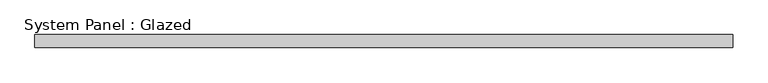
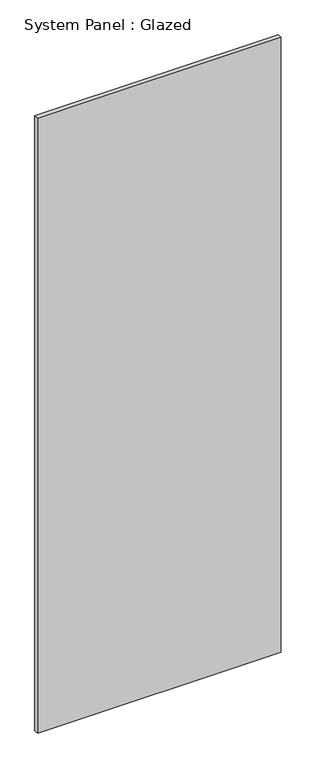
"""IFC4 building model written with IfcOpenShell, lengths in millimetres: plate geometry, System Panel : Glazed."""

from ifc_helpers import new_model, si_unit, origin, origin_with_axes, place, context, project, spatial, polyline, outline, extrude, source, transform, mapped, element, save


def system_panel_glazed_2ace193a(model_context):
    return source(origin(), model_context, "Body", "SweptSolid", [
        extrude(outline(polyline([(685.7999998, 19.05), (-685.7999998, 19.05), (-685.7999998, 44.45), (685.7999998, 44.45), (685.7999998, 19.05)])), origin_with_axes(), (0.0, 0.0, 1.0), 3657.6),
    ])


if __name__ == "__main__":
    model = new_model("IFC4")
    model_context = context("Model", 3, world=origin())
    ifc_project = project(units=[si_unit("LENGTHUNIT", "METRE", prefix="MILLI")], contexts=[model_context])
    site = spatial("IfcSite", under=ifc_project)
    building = spatial("IfcBuilding", under=site)
    placement = place(None, origin())
    system_panel_glazed_shape = system_panel_glazed_2ace193a(model_context)
    element("IfcPlate", 1, ObjectType="System Panel : Glazed", at=placement, inside=building, context=model_context, shape_type="MappedRepresentation", body=[
        mapped(system_panel_glazed_shape, transform((0.0, 0.0, 0.0), x_axis=(1.0, 0.0, 0.0), y_axis=(0.0, 1.0, 0.0), z_axis=(0.0, 0.0, 1.0))),
    ])
    save(model, "model.ifc")
